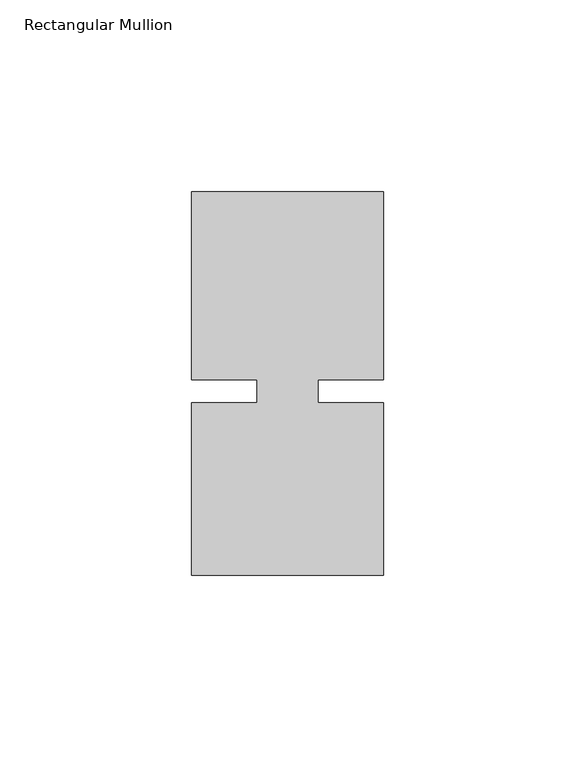
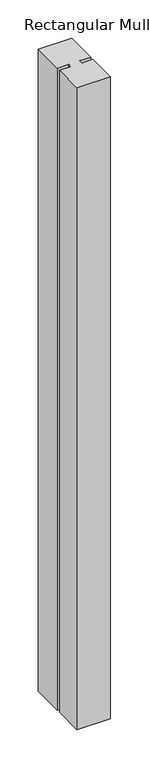
"""IFC4 building model written with IfcOpenShell, lengths in millimetres: member geometry, Rectangular Mullion."""

from ifc_helpers import new_model, si_unit, frame, origin, place, context, project, spatial, polyline, outline, extrude, source, transform, mapped, element, save


def rectangular_mullion_a3a572b1(model_context):
    return source(origin(), model_context, "Body", "SweptSolid", [
        extrude(outline(polyline([(8.0004618, -3.0000161), (25.0, -3.000024), (24.9999791, -48.000024), (-25.0000209, -48.0000007), (-25.0, -3.0000007), (-8.0004617, -3.0000086), (-8.0004589, 3.0000086), (-24.9999972, 3.0000166), (-24.9999743, 51.9999993), (25.0000011, 51.9999711), (24.9999734, 2.9999933), (8.0004646, 3.0000012), (8.0004618, -3.0000161)])), frame((0.0, 0.0, -1019.5417323), z_axis=(0.0, 0.0, 1.0), x_axis=(1.0, 0.0, 0.0)), (0.0, 0.0, 1.0), 1019.5417323),
    ])


if __name__ == "__main__":
    model = new_model("IFC4")
    model_context = context("Model", 3, world=origin())
    ifc_project = project(units=[si_unit("LENGTHUNIT", "METRE", prefix="MILLI")], contexts=[model_context])
    site = spatial("IfcSite", under=ifc_project)
    building = spatial("IfcBuilding", under=site)
    placement = place(None, origin())
    rectangular_mullion_shape = rectangular_mullion_a3a572b1(model_context)
    element("IfcMember", 1, ObjectType="Rectangular Mullion", at=placement, inside=building, context=model_context, shape_type="MappedRepresentation", body=[
        mapped(rectangular_mullion_shape, transform((0.0, 0.0, 0.0), x_axis=(1.0, 0.0, 0.0), y_axis=(0.0, 1.0, 0.0), z_axis=(0.0, 0.0, 1.0))),
    ])
    save(model, "model.ifc")
